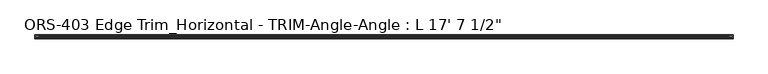
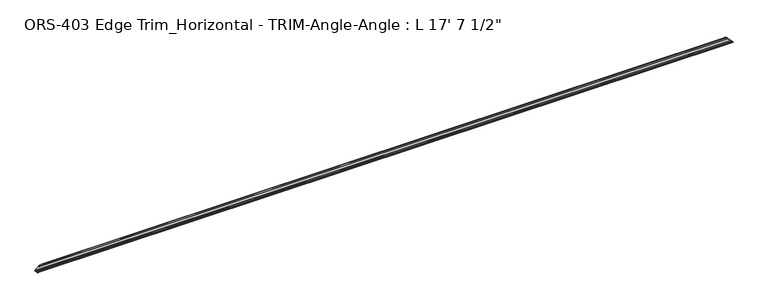
"""IFC4 building model written with IfcOpenShell, lengths in millimetres: proxy geometry."""

from ifc_helpers import new_model, si_unit, frame, origin, place, context, project, spatial, polyline, ellipse_curve, source, transform, mapped, element, save
from ifc_brep_helpers import plane_surface, cylinder_surface, revolved_surface, advanced_brep


def proxy_acd93830(model_context):
    return source(origin(), model_context, "Body", "AdvancedBrep", [
        advanced_brep(
        [(5338.6848302, 19.6849659, 33.4151698), (33.4151698, 19.6849659, 33.4151698), (33.4151698, 14.292309, 33.4151698), (5338.6848302, 14.292309, 33.4151698), (43.9912567, 12.4813352, 43.9912567), (5328.1087433, 12.4813352, 43.9912567), (43.9251729, 10.1599659, 43.9251729), (5328.1748271, 10.1599659, 43.9251729), (31.8403698, 10.1599659, 31.8403698), (5340.2596302, 10.1599659, 31.8403698), (31.8403698, 16.8401659, 31.8403698), (5340.2596302, 16.8401659, 31.8403698), (30.5703698, 18.1101659, 30.5703698), (5341.5296302, 18.1101659, 30.5703698), (26.9486086, 18.1101659, 26.9486086), (5345.1513914, 18.1101659, 26.9486086), (26.1600648, 18.5286393, 26.1600648), (5345.9399352, 18.5286393, 26.1600648), (25.3762055, 18.5286393, 25.3762055), (5346.7237945, 18.5286393, 25.3762055), (24.5876618, 18.1101659, 24.5876618), (5347.5123382, 18.1101659, 24.5876618), (3.1623, 18.1101659, 3.1623), (5368.9377, 18.1101659, 3.1623), (1.5748, 16.5226659, 1.5748), (5370.5252, 16.5226659, 1.5748), (1.5748, 2.8574659, 1.5748), (5370.5252, 2.8574659, 1.5748), (3.1623, 1.2699659, 3.1623), (5368.9377, 1.2699659, 3.1623), (5.6896, 1.2699659, 5.6896), (5366.4104, 1.2699659, 5.6896), (5.6896, -1.9177341, 5.6896), (5366.4104, -1.9177341, 5.6896), (5.6896, -5.0673341, 5.6896), (5366.4104, -5.0673341, 5.6896), (5.6896, -8.8900341, 5.6896), (5366.4104, -8.8900341, 5.6896), (4.0500705, -8.8900341, 4.0500705), (5368.0499295, -8.8900341, 4.0500705), (4.0500705, -7.4768015, 4.0500705), (5368.0499295, -7.4768015, 4.0500705), (4.3039002, -6.695594, 4.3039002), (5367.7960998, -6.695594, 4.3039002), (4.0500705, -5.9143865, 4.0500705), (5368.0499295, -5.9143865, 4.0500705), (4.3039002, -5.133179, 4.3039002), (5367.7960998, -5.133179, 4.3039002), (4.0500705, -4.3519716, 4.0500705), (5368.0499295, -4.3519716, 4.0500705), (4.3039002, -3.5707641, 4.3039002), (5367.7960998, -3.5707641, 4.3039002), (4.0500705, -2.7895566, 4.0500705), (5368.0499295, -2.7895566, 4.0500705), (4.3039002, -2.0083491, 4.3039002), (5367.7960998, -2.0083491, 4.3039002), (4.0500705, -1.2271416, 4.0500705), (5368.0499295, -1.2271416, 4.0500705), (4.3039002, -0.4459342, 4.3039002), (5367.7960998, -0.4459342, 4.3039002), (1.3857004, -0.4459342, 1.3857004), (5370.7142996, -0.4459342, 1.3857004), (1.6395301, -1.2271416, 1.6395301), (5370.4604699, -1.2271416, 1.6395301), (1.3857004, -2.0083491, 1.3857004), (5370.7142996, -2.0083491, 1.3857004), (1.6395301, -2.7895566, 1.6395301), (5370.4604699, -2.7895566, 1.6395301), (1.3857004, -3.5707641, 1.3857004), (5370.7142996, -3.5707641, 1.3857004), (1.6395301, -4.3519716, 1.6395301), (5370.4604699, -4.3519716, 1.6395301), (1.3857004, -5.133179, 1.3857004), (5370.7142996, -5.133179, 1.3857004), (1.6395301, -5.9143865, 1.6395301), (5370.4604699, -5.9143865, 1.6395301), (1.3857004, -6.695594, 1.3857004), (5370.7142996, -6.695594, 1.3857004), (1.6395301, -7.4768015, 1.6395301), (5370.4604699, -7.4768015, 1.6395301), (1.6395301, -8.8900341, 1.6395301), (5370.4604699, -8.8900341, 1.6395301), (0.0, -8.8900341, 0.0), (5372.1, -8.8900341, 0.0), (0.0, 19.6849659, 0.0), (5372.1, 19.6849659, 0.0)],
        [
            (0, 1),
            (1, 2),
            (2, 3),
            (3, 0),
            (2, 4),
            (4, 5),
            (5, 3),
            (4, 6, ellipse_curve(frame((42.8344152, 11.3526424, 42.8344152), z_axis=(0.707106781186547, 0.0, -0.707106781186548), x_axis=(0.707106781186548, 0.0, 0.707106781186547)), 2.2857076, 1.6162393)),
            (6, 7),
            (7, 5, ellipse_curve(frame((5329.2655848, 11.3526424, 42.8344152), z_axis=(-0.7071067811870604, 0.0, -0.7071067811860346), x_axis=(0.7071067811860345, 0.0, -0.7071067811870604)), 2.2857076, 1.6162393)),
            (6, 8),
            (8, 9),
            (9, 7),
            (8, 10),
            (10, 11),
            (11, 9),
            (10, 12, ellipse_curve(frame((30.5703698, 16.8401659, 30.5703698), z_axis=(-0.707106781186547, 0.0, 0.707106781186548), x_axis=(-0.707106781186548, 0.0, -0.707106781186547)), 1.7960512, 1.27)),
            (12, 13),
            (13, 11, ellipse_curve(frame((5341.5296302, 16.8401659, 30.5703698), z_axis=(0.7071067811870604, 0.0, 0.7071067811860346), x_axis=(-0.7071067811860345, 0.0, 0.7071067811870604)), 1.7960512, 1.27)),
            (12, 14),
            (14, 15),
            (15, 13),
            (14, 16),
            (16, 17),
            (17, 15),
            (16, 18),
            (18, 19),
            (19, 17),
            (18, 20),
            (20, 21),
            (21, 19),
            (20, 22),
            (22, 23),
            (23, 21),
            (22, 24, ellipse_curve(frame((3.1623, 16.5226659, 3.1623), z_axis=(-0.707106781186547, 0.0, 0.707106781186548), x_axis=(-0.707106781186548, 0.0, -0.707106781186547)), 2.245064, 1.5875)),
            (24, 25),
            (25, 23, ellipse_curve(frame((5368.9377, 16.5226659, 3.1623), z_axis=(0.7071067811870604, 0.0, 0.7071067811860346), x_axis=(-0.7071067811860345, 0.0, 0.7071067811870604)), 2.245064, 1.5875)),
            (24, 26),
            (26, 27),
            (27, 25),
            (26, 28, ellipse_curve(frame((3.1623, 2.8574659, 3.1623), z_axis=(-0.707106781186547, 0.0, 0.707106781186548), x_axis=(-0.707106781186548, 0.0, -0.707106781186547)), 2.245064, 1.5875)),
            (28, 29),
            (29, 27, ellipse_curve(frame((5368.9377, 2.8574659, 3.1623), z_axis=(0.7071067811870604, 0.0, 0.7071067811860346), x_axis=(-0.7071067811860345, 0.0, 0.7071067811870604)), 2.245064, 1.5875)),
            (28, 30),
            (30, 31),
            (31, 29),
            (30, 32),
            (32, 33),
            (33, 31),
            (32, 34, ellipse_curve(frame((5.6896, -3.4925341, 5.6896), z_axis=(0.707106781186547, 0.0, -0.707106781186548), x_axis=(0.707106781186548, 0.0, 0.707106781186547)), 2.2271035, 1.5748)),
            (34, 35),
            (35, 33, ellipse_curve(frame((5366.4104, -3.4925341, 5.6896), z_axis=(-0.7071067811870604, 0.0, -0.7071067811860346), x_axis=(0.7071067811860345, 0.0, -0.7071067811870604)), 2.2271035, 1.5748)),
            (34, 36),
            (36, 37),
            (37, 35),
            (36, 38),
            (38, 39),
            (39, 37),
            (38, 40),
            (40, 41),
            (41, 39),
            (40, 42),
            (42, 43),
            (43, 41),
            (42, 44),
            (44, 45),
            (45, 43),
            (44, 46),
            (46, 47),
            (47, 45),
            (46, 48),
            (48, 49),
            (49, 47),
            (48, 50),
            (50, 51),
            (51, 49),
            (50, 52),
            (52, 53),
            (53, 51),
            (52, 54),
            (54, 55),
            (55, 53),
            (54, 56),
            (56, 57),
            (57, 55),
            (56, 58),
            (58, 59),
            (59, 57),
            (58, 60),
            (60, 61),
            (61, 59),
            (60, 62),
            (62, 63),
            (63, 61),
            (62, 64),
            (64, 65),
            (65, 63),
            (64, 66),
            (66, 67),
            (67, 65),
            (66, 68),
            (68, 69),
            (69, 67),
            (68, 70),
            (70, 71),
            (71, 69),
            (70, 72),
            (72, 73),
            (73, 71),
            (72, 74),
            (74, 75),
            (75, 73),
            (74, 76),
            (76, 77),
            (77, 75),
            (76, 78),
            (78, 79),
            (79, 77),
            (78, 80),
            (80, 81),
            (81, 79),
            (82, 83),
            (83, 81),
            (80, 82),
            (82, 84),
            (84, 85),
            (85, 83),
            (84, 1),
            (0, 85),
        ],
        [
            plane_surface(frame((5372.1, 19.6849659, 33.4151698), z_axis=(0.0, 0.0, 1.0), x_axis=(-1.0, 0.0, 0.0))),
            plane_surface(frame((5372.1, 14.292309, 33.4151698), z_axis=(0.0, 0.9856543593987945, 0.16877643140602303), x_axis=(-1.0, 0.0, 0.0))),
            cylinder_surface(frame((0.0, 11.3526424, 42.8344152), z_axis=(1.0, 0.0, 0.0), x_axis=(0.0, 1.0, 0.0)), 1.6162393),
            plane_surface(frame((5372.1, 10.1599659, 43.9251729), z_axis=(0.0, -1.0, 0.0), x_axis=(-1.0, 0.0, 0.0))),
            plane_surface(frame((5372.1, 10.1599659, 31.8403698), z_axis=(0.0, 1.2968080348435037e-12, -1.0), x_axis=(-1.0, 0.0, 0.0))),
            revolved_surface(polyline([(29.300369817121766, 18.1101659, 30.5703698), (5342.799630182877, 18.1101659, 30.5703698)]), (0.0, 16.8401659, 30.5703698), (-1.0, 0.0, 0.0)),
            plane_surface(frame((5372.1, 18.1101659, 30.5703698), z_axis=(0.0, -1.0, 1.5953871677516757e-12), x_axis=(-1.0, 0.0, 0.0))),
            plane_surface(frame((5372.1, 18.1101659, 26.9486086), z_axis=(0.0, -0.8833200708174842, -0.4687703622148), x_axis=(-1.0, 0.0, 0.0))),
            plane_surface(frame((5372.1, 18.5286393, 26.1600648), z_axis=(0.0, -1.0, 0.0), x_axis=(-1.0, 0.0, 0.0))),
            plane_surface(frame((5372.1, 18.5286393, 25.3762055), z_axis=(0.0, -0.8833200708184621, 0.4687703622129573), x_axis=(-1.0, 0.0, 0.0))),
            plane_surface(frame((5372.1, 18.1101659, 24.5876618), z_axis=(0.0, -1.0, 0.0), x_axis=(-1.0, 0.0, 0.0))),
            revolved_surface(polyline([(1.5748, 18.1101659, 3.1623), (5370.5252, 18.1101659, 3.1623)]), (0.0, 16.5226659, 3.1623), (-1.0, 0.0, 0.0)),
            plane_surface(frame((5372.1, 16.5226659, 1.5748), z_axis=(0.0, 0.0, 1.0), x_axis=(-1.0, 0.0, 0.0))),
            revolved_surface(polyline([(1.5748, 4.4449659, 3.1623), (5370.5252, 4.4449659, 3.1623)]), (0.0, 2.8574659, 3.1623), (-1.0, 0.0, 0.0)),
            plane_surface(frame((5372.1, 1.2699659, 3.1623), z_axis=(0.0, 1.0, 0.0), x_axis=(-1.0, 0.0, 0.0))),
            plane_surface(frame((5372.1, 1.2699659, 5.6896), z_axis=(0.0, 0.0, 1.0), x_axis=(-1.0, 0.0, 0.0))),
            cylinder_surface(frame((0.0, -3.4925341, 5.6896), z_axis=(1.0, 0.0, 0.0), x_axis=(0.0, 1.0, 0.0)), 1.5748),
            plane_surface(frame((5372.1, -5.0673341, 5.6896), z_axis=(0.0, 0.0, 1.0), x_axis=(-1.0, 0.0, 0.0))),
            plane_surface(frame((5372.1, -8.8900341, 5.6896), z_axis=(0.0, -1.0, 0.0), x_axis=(-1.0, 0.0, 0.0))),
            plane_surface(frame((5372.1, -8.8900341, 4.0500705), z_axis=(0.0, 0.0, -1.0), x_axis=(-1.0, 0.0, 0.0))),
            plane_surface(frame((5372.1, -7.4768015, 4.0500705), z_axis=(0.0, 0.3090169943749553, -0.9510565162951511), x_axis=(-1.0, 0.0, 0.0))),
            plane_surface(frame((5372.1, -6.695594, 4.3039002), z_axis=(0.0, -0.3090169943749486, -0.9510565162951533), x_axis=(-1.0, 0.0, 0.0))),
            plane_surface(frame((5372.1, -5.9143865, 4.0500705), z_axis=(0.0, 0.3090169943749555, -0.951056516295151), x_axis=(-1.0, 0.0, 0.0))),
            plane_surface(frame((5372.1, -5.133179, 4.3039002), z_axis=(0.0, -0.3090169943749748, -0.9510565162951446), x_axis=(-1.0, 0.0, 0.0))),
            plane_surface(frame((5372.1, -4.3519716, 4.0500705), z_axis=(0.0, 0.3090169943749981, -0.9510565162951371), x_axis=(-1.0, 0.0, 0.0))),
            plane_surface(frame((5372.1, -3.5707641, 4.3039002), z_axis=(0.0, -0.30901699437494895, -0.9510565162951532), x_axis=(-1.0, 0.0, 0.0))),
            plane_surface(frame((5372.1, -2.7895566, 4.0500705), z_axis=(0.0, 0.3090169943749561, -0.9510565162951508), x_axis=(-1.0, 0.0, 0.0))),
            plane_surface(frame((5372.1, -2.0083491, 4.3039002), z_axis=(0.0, -0.30901699437494257, -0.9510565162951552), x_axis=(-1.0, 0.0, 0.0))),
            plane_surface(frame((5372.1, -1.2271416, 4.0500705), z_axis=(0.0, 0.3090169943749565, -0.9510565162951506), x_axis=(-1.0, 0.0, 0.0))),
            plane_surface(frame((5372.1, -0.4459342, 4.3039002), z_axis=(0.0, -1.0, 0.0), x_axis=(-1.0, 0.0, 0.0))),
            plane_surface(frame((5372.1, -0.4459342, 1.3857004), z_axis=(0.0, 0.3090169943749626, 0.9510565162951486), x_axis=(-1.0, 0.0, 0.0))),
            plane_surface(frame((5372.1, -1.2271416, 1.6395301), z_axis=(0.0, -0.30901699437493707, 0.951056516295157), x_axis=(-1.0, 0.0, 0.0))),
            plane_surface(frame((5372.1, -2.0083491, 1.3857004), z_axis=(0.0, 0.3090169943749626, 0.9510565162951486), x_axis=(-1.0, 0.0, 0.0))),
            plane_surface(frame((5372.1, -2.7895566, 1.6395301), z_axis=(0.0, -0.3090169943749421, 0.9510565162951553), x_axis=(-1.0, 0.0, 0.0))),
            plane_surface(frame((5372.1, -3.5707641, 1.3857004), z_axis=(0.0, 0.309016994375005, 0.9510565162951349), x_axis=(-1.0, 0.0, 0.0))),
            plane_surface(frame((5372.1, -4.3519716, 1.6395301), z_axis=(0.0, -0.30901699437496927, 0.9510565162951465), x_axis=(-1.0, 0.0, 0.0))),
            plane_surface(frame((5372.1, -5.133179, 1.3857004), z_axis=(0.0, 0.30901699437496183, 0.951056516295149), x_axis=(-1.0, 0.0, 0.0))),
            plane_surface(frame((5372.1, -5.9143865, 1.6395301), z_axis=(0.0, -0.30901699437494223, 0.9510565162951553), x_axis=(-1.0, 0.0, 0.0))),
            plane_surface(frame((5372.1, -6.695594, 1.3857004), z_axis=(0.0, 0.30901699437496144, 0.9510565162951491), x_axis=(-1.0, 0.0, 0.0))),
            plane_surface(frame((5372.1, -7.4768015, 1.6395301), z_axis=(0.0, 0.0, 1.0), x_axis=(-1.0, 0.0, 0.0))),
            plane_surface(frame((5372.1, -8.8900341, 1.6395301), z_axis=(0.0, -1.0, 0.0), x_axis=(-1.0, 0.0, 0.0))),
            plane_surface(frame((5372.1, -8.8900341, 0.0), z_axis=(0.0, 0.0, -1.0), x_axis=(-1.0, 0.0, 0.0))),
            plane_surface(frame((5372.1, 19.6849659, 0.0), z_axis=(0.0, 1.0, 0.0), x_axis=(-1.0, 0.0, 0.0))),
            plane_surface(frame((0.0, -8.8900341, 0.0), z_axis=(-0.707106781186547, 0.0, 0.707106781186548), x_axis=(0.0, 1.0, 0.0))),
            plane_surface(frame((5327.3253364, -8.8900341, 44.7746636), z_axis=(0.7071067811870604, 0.0, 0.7071067811860346), x_axis=(0.0, 1.0, 0.0))),
        ],
        [
            (0, [[1, 2, 3, 4]]),
            (1, [[-3, 5, 6, 7]]),
            (2, [[-6, 8, 9, 10]]),
            (3, [[-9, 11, 12, 13]]),
            (4, [[-12, 14, 15, 16]]),
            (5, [[-15, 17, 18, 19]]),
            (6, [[-18, 20, 21, 22]]),
            (7, [[-21, 23, 24, 25]]),
            (8, [[-24, 26, 27, 28]]),
            (9, [[-27, 29, 30, 31]]),
            (10, [[-30, 32, 33, 34]]),
            (11, [[-33, 35, 36, 37]]),
            (12, [[-36, 38, 39, 40]]),
            (13, [[-39, 41, 42, 43]]),
            (14, [[-42, 44, 45, 46]]),
            (15, [[-45, 47, 48, 49]]),
            (16, [[-48, 50, 51, 52]]),
            (17, [[-51, 53, 54, 55]]),
            (18, [[-54, 56, 57, 58]]),
            (19, [[-57, 59, 60, 61]]),
            (20, [[-60, 62, 63, 64]]),
            (21, [[-63, 65, 66, 67]]),
            (22, [[-66, 68, 69, 70]]),
            (23, [[-69, 71, 72, 73]]),
            (24, [[-72, 74, 75, 76]]),
            (25, [[-75, 77, 78, 79]]),
            (26, [[-78, 80, 81, 82]]),
            (27, [[-81, 83, 84, 85]]),
            (28, [[-84, 86, 87, 88]]),
            (29, [[-87, 89, 90, 91]]),
            (30, [[-90, 92, 93, 94]]),
            (31, [[-93, 95, 96, 97]]),
            (32, [[-96, 98, 99, 100]]),
            (33, [[-99, 101, 102, 103]]),
            (34, [[-102, 104, 105, 106]]),
            (35, [[-105, 107, 108, 109]]),
            (36, [[-108, 110, 111, 112]]),
            (37, [[-111, 113, 114, 115]]),
            (38, [[-114, 116, 117, 118]]),
            (39, [[-117, 119, 120, 121]]),
            (40, [[122, 123, -120, 124]]),
            (41, [[-122, 125, 126, 127]]),
            (42, [[-126, 128, -1, 129]]),
            (43, [[-2, -128, -125, -124, -119, -116, -113, -110, -107, -104, -101, -98, -95, -92, -89, -86, -83, -80, -77, -74, -71, -68, -65, -62, -59, -56, -53, -50, -47, -44, -41, -38, -35, -32, -29, -26, -23, -20, -17, -14, -11, -8, -5]]),
            (44, [[-4, -7, -10, -13, -16, -19, -22, -25, -28, -31, -34, -37, -40, -43, -46, -49, -52, -55, -58, -61, -64, -67, -70, -73, -76, -79, -82, -85, -88, -91, -94, -97, -100, -103, -106, -109, -112, -115, -118, -121, -123, -127, -129]]),
        ],
    ),
    ])


if __name__ == "__main__":
    model = new_model("IFC4")
    model_context = context("Model", 3, world=origin())
    ifc_project = project(units=[si_unit("LENGTHUNIT", "METRE", prefix="MILLI")], contexts=[model_context])
    site = spatial("IfcSite", under=ifc_project)
    building = spatial("IfcBuilding", under=site)
    placement = place(None, origin())
    proxy_shape = proxy_acd93830(model_context)
    element("IfcBuildingElementProxy", 1, Name="ORS-403 Edge Trim_Horizontal - TRIM-Angle-Angle : L 17' 7 1/2\"", ObjectType="ORS-403 Edge Trim_Horizontal - TRIM-Angle-Angle : L 17' 7 1/2\"", at=placement, inside=building, context=model_context, shape_type="MappedRepresentation", body=[
        mapped(proxy_shape, transform((0.0, 0.0, 0.0), x_axis=(1.0, 0.0, 0.0), y_axis=(0.0, 1.0, 0.0), z_axis=(0.0, 0.0, 1.0))),
    ])
    save(model, "model.ifc")
